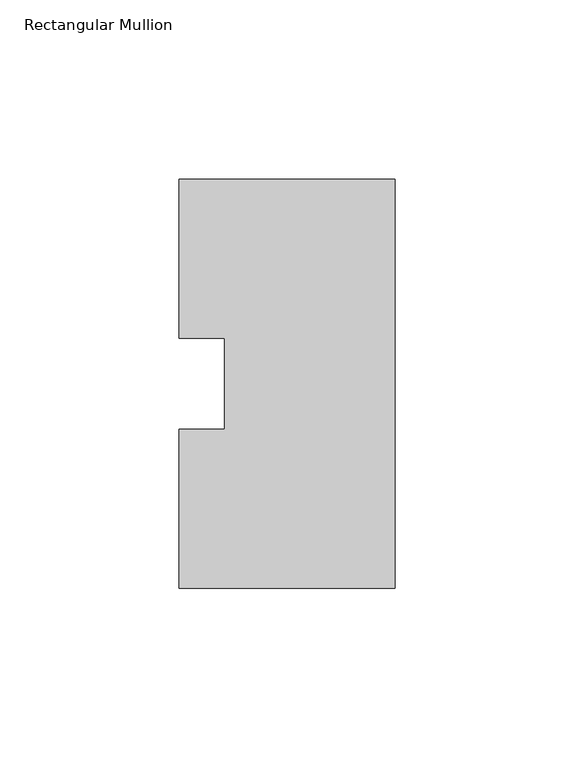
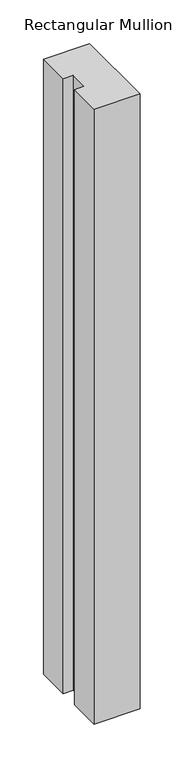
"""IFC4 building model written with IfcOpenShell, lengths in millimetres: member geometry, Rectangular Mullion."""

import ifcopenshell
import ifcopenshell.guid

model = None  # the IFC model being written
_history = None  # IfcOwnerHistory: only IFC2X3 demands one
_inside = {}  # id of a spatial element -> (the spatial element, [elements in it])
_under = {}  # id of a project, library or spatial element -> (it, [spatial elements below it])
_declared = {}  # id of a project -> (the project, [libraries it declares])
_typed = {}  # id of a type object -> (the type object, [elements of that type])
_made_of = {}  # id of a material, layer set ... -> (it, [elements and type objects made of it])


def new_model(schema):
    """Start an empty IFC model of exactly this schema.

    Asked for "IFC4X3", IfcOpenShell would pick the latest addendum, in which some entities
    have other attributes; the version numbers below select the first issue.
    IFC2X3 requires an IfcOwnerHistory on every rooted entity: one is made here for all.
    """
    global model, _history
    if schema == "IFC4X3":
        model = ifcopenshell.file(schema_version=(4, 3, 0, 0))
    else:
        model = ifcopenshell.file(schema=schema)
    _inside.clear()
    _under.clear()
    _declared.clear()
    _typed.clear()
    _made_of.clear()
    _history = None
    if model.schema == "IFC2X3":
        org = make("IfcOrganization", Name="unknown")
        user = make(
            "IfcPersonAndOrganization",
            ThePerson=make("IfcPerson", FamilyName="unknown"),
            TheOrganization=org,
        )
        app = make(
            "IfcApplication",
            ApplicationDeveloper=org,
            Version="unknown",
            ApplicationFullName="unknown",
            ApplicationIdentifier="unknown",
        )
        _history = make(
            "IfcOwnerHistory",
            OwningUser=user,
            OwningApplication=app,
            ChangeAction="ADDED",
            CreationDate=0,
        )
    return model


def make(cls, **values):
    """One entity of the class cls with the attributes given. An attribute that is None is left unset."""
    return model.create_entity(
        cls, **{name: value for name, value in values.items() if value is not None}
    )


def rooted(cls, **values):
    """An entity with a GlobalId (a new one), such as an element, a storey or a relation."""
    return make(cls, GlobalId=ifcopenshell.guid.new(), OwnerHistory=_history, **values)


def si_unit(unit_type, name, prefix=None):
    """IfcSIUnit, for example si_unit("LENGTHUNIT", "METRE", prefix="MILLI")."""
    return make("IfcSIUnit", UnitType=unit_type, Prefix=prefix, Name=name)


def assignment(units):
    """IfcUnitAssignment: the units of a project."""
    return None if units is None else make("IfcUnitAssignment", Units=units)


def point(xyz):
    """IfcCartesianPoint."""
    return None if xyz is None else make("IfcCartesianPoint", Coordinates=xyz)


def direction(xyz):
    """IfcDirection."""
    return None if xyz is None else make("IfcDirection", DirectionRatios=xyz)


def frame(location, z_axis=None, x_axis=None):
    """IfcAxis2Placement3D, a coordinate frame: its origin and axes. An axis left out is left unset."""
    return make(
        "IfcAxis2Placement3D",
        Location=point(location),
        Axis=direction(z_axis),
        RefDirection=direction(x_axis),
    )


def origin():
    """The frame at (0, 0, 0) with its axes left unset."""
    return frame((0.0, 0.0, 0.0))


def place(relative_to, where):
    """IfcLocalPlacement: puts the frame where relative to a parent placement (None: the world)."""
    return make(
        "IfcLocalPlacement", PlacementRelTo=relative_to, RelativePlacement=where
    )


def context(
    kind, dimensions, precision=None, world=None, true_north=None, identifier=None
):
    """IfcGeometricRepresentationContext, for example the 3D "Model" context."""
    return make(
        "IfcGeometricRepresentationContext",
        ContextIdentifier=identifier,
        ContextType=kind,
        CoordinateSpaceDimension=dimensions,
        Precision=precision,
        WorldCoordinateSystem=world,
        TrueNorth=true_north,
    )


def project(units=None, contexts=None):
    """IfcProject with its units and contexts."""
    return rooted(
        "IfcProject",
        Name="project",
        RepresentationContexts=contexts,
        UnitsInContext=assignment(units),
    )


def spatial(cls, under=None, at=None, **own):
    """A site, building, storey or space (cls), placed at a placement, below another one or the project."""
    s = rooted(cls, ObjectPlacement=at, **own)
    if under is not None:
        _under.setdefault(under.id(), (under, []))[1].append(s)
    return s


def polyline(points):
    """IfcPolyline through the points."""
    return make("IfcPolyline", Points=[point(p) for p in points])


def outline(outer, holes=None, kind="AREA"):
    """IfcArbitraryClosedProfileDef: a profile drawn as a closed curve; with holes, ...WithVoids."""
    if holes is None:
        return make("IfcArbitraryClosedProfileDef", ProfileType=kind, OuterCurve=outer)
    return make(
        "IfcArbitraryProfileDefWithVoids",
        ProfileType=kind,
        OuterCurve=outer,
        InnerCurves=holes,
    )


def extrude(swept, where, along, depth):
    """IfcExtrudedAreaSolid: the profile swept, set in the frame where, extruded along a direction by depth."""
    return make(
        "IfcExtrudedAreaSolid",
        SweptArea=swept,
        Position=where,
        ExtrudedDirection=direction(along),
        Depth=depth,
    )


def shape(context_of_items, identifier, shape_type, items):
    """IfcShapeRepresentation: the items that make up one representation, for example the "Body"."""
    return make(
        "IfcShapeRepresentation",
        ContextOfItems=context_of_items,
        RepresentationIdentifier=identifier,
        RepresentationType=shape_type,
        Items=items,
    )


def source(mapping_origin, context_of_items, identifier, shape_type, items):
    """IfcRepresentationMap: a shape defined once, which mapped items show again and again."""
    return make(
        "IfcRepresentationMap",
        MappingOrigin=mapping_origin,
        MappedRepresentation=shape(context_of_items, identifier, shape_type, items),
    )


def transform(
    local_origin,
    x_axis=None,
    y_axis=None,
    z_axis=None,
    scale=None,
    scale2=None,
    scale3=None,
    uniform=True,
):
    """IfcCartesianTransformationOperator3D, or its non-uniform kind. x_axis, y_axis, z_axis: its Axis1, 2, 3."""
    if uniform:
        return make(
            "IfcCartesianTransformationOperator3D",
            Axis1=direction(x_axis),
            Axis2=direction(y_axis),
            LocalOrigin=point(local_origin),
            Scale=scale,
            Axis3=direction(z_axis),
        )
    return make(
        "IfcCartesianTransformationOperator3DnonUniform",
        Axis1=direction(x_axis),
        Axis2=direction(y_axis),
        LocalOrigin=point(local_origin),
        Scale=scale,
        Axis3=direction(z_axis),
        Scale2=scale2,
        Scale3=scale3,
    )


def mapped(mapping_source, mapping_target):
    """IfcMappedItem: shows the shape of a source again, moved by a transform."""
    return make(
        "IfcMappedItem", MappingSource=mapping_source, MappingTarget=mapping_target
    )


def made_of(thing, what):
    """Note that an element or type object is made of a material, layer set ...; save() writes the relation."""
    if what is not None:
        _made_of.setdefault(what.id(), (what, []))[1].append(thing)
    return thing


def element(
    cls,
    number,
    at=None,
    inside=None,
    cuts=None,
    type_object=None,
    material=None,
    context=None,
    identifier="Body",
    shape_type=None,
    held_by="IfcProductDefinitionShape",
    body=None,
    shapes=None,
    **own,
):
    """One element of the class cls, such as IfcWall. Its Tag is "e" and its number.

    at: its placement. inside: the storey or other place that contains it. cuts: it is an
    opening in that element (IfcRelVoidsElement). A single representation is given by context,
    identifier, shape_type and body (its items); several are given by shapes. held_by: the class
    of the entity that holds the representations. save() writes the other relations.
    """
    e = rooted(cls, Tag="e%d" % number, ObjectPlacement=at, **own)
    if body is not None:
        shapes = [shape(context, identifier, shape_type, body)]
    if shapes is not None:
        e.Representation = make(held_by, Representations=shapes)
    if inside is not None:
        _inside.setdefault(inside.id(), (inside, []))[1].append(e)
    if cuts is not None:
        rooted(
            "IfcRelVoidsElement", RelatingBuildingElement=cuts, RelatedOpeningElement=e
        )
    if type_object is not None:
        _typed.setdefault(type_object.id(), (type_object, []))[1].append(e)
    return made_of(e, material)


def aggregate(whole, parts):
    """IfcRelAggregates: a whole, such as a stair, and the parts it consists of."""
    return rooted("IfcRelAggregates", RelatingObject=whole, RelatedObjects=parts)


def save(model, path):
    """Write the relations noted so far, then the file.

    IfcRelAggregates (storeys below a building ...), IfcRelContainedInSpatialStructure (elements
    in a storey), IfcRelDefinesByType, IfcRelAssociatesMaterial and IfcRelDeclares: one each for
    every whole, place, type object, material and project.
    """
    for whole, parts in _under.values():
        aggregate(whole, parts)
    for where, things in _inside.values():
        rooted(
            "IfcRelContainedInSpatialStructure",
            RelatedElements=things,
            RelatingStructure=where,
        )
    for kind, things in _typed.values():
        rooted("IfcRelDefinesByType", RelatedObjects=things, RelatingType=kind)
    for what, things in _made_of.values():
        rooted("IfcRelAssociatesMaterial", RelatedObjects=things, RelatingMaterial=what)
    for by, libraries in _declared.values():
        rooted("IfcRelDeclares", RelatingContext=by, RelatedDefinitions=libraries)
    model.write(path)


def rectangular_mullion_2e1008df(model_context):
    return source(origin(), model_context, "Body", "SweptSolid", [
        extrude(outline(polyline([(-60.325, 57.15), (0.0, 57.15), (0.0, -57.15), (-60.325, -57.15), (-60.325, -12.7), (-47.6232296, -12.7), (-47.6232296, 12.7), (-60.325, 12.7), (-60.325, 57.15)])), frame((0.0, 0.0, -854.075), z_axis=(0.0, 0.0, 1.0), x_axis=(1.0, 0.0, 0.0)), (0.0, 0.0, 1.0), 854.075),
    ])


if __name__ == "__main__":
    model = new_model("IFC4")
    model_context = context("Model", 3, world=origin())
    ifc_project = project(units=[si_unit("LENGTHUNIT", "METRE", prefix="MILLI")], contexts=[model_context])
    site = spatial("IfcSite", under=ifc_project)
    building = spatial("IfcBuilding", under=site)
    placement = place(None, origin())
    rectangular_mullion_shape = rectangular_mullion_2e1008df(model_context)
    element("IfcMember", 1, ObjectType="Rectangular Mullion", at=placement, inside=building, context=model_context, shape_type="MappedRepresentation", body=[
        mapped(rectangular_mullion_shape, transform((0.0, 0.0, 0.0), x_axis=(1.0, 0.0, 0.0), y_axis=(0.0, 1.0, 0.0), z_axis=(0.0, 0.0, 1.0))),
    ])
    save(model, "model.ifc")
